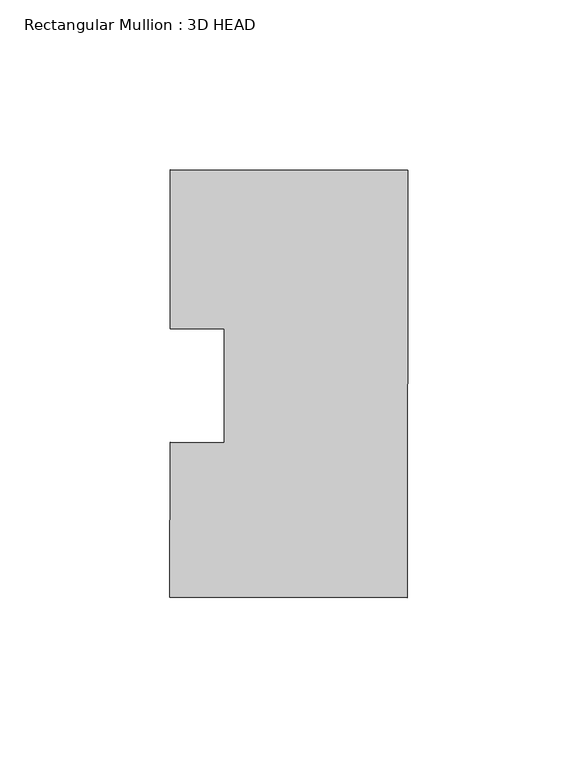
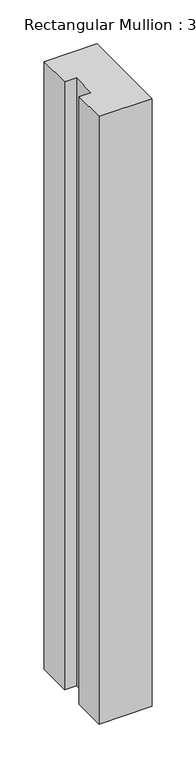
"""IFC4 building model written with IfcOpenShell, lengths in millimetres: member geometry, Rectangular Mullion : 3D HEAD."""

from ifc_helpers import new_model, si_unit, frame, origin, place, context, project, spatial, polyline, outline, extrude, source, transform, mapped, element, save


def rectangular_mullion_3d_head_cf05531e(model_context):
    return source(origin(), model_context, "Body", "SweptSolid", [
        extrude(outline(polyline([(-69.9433395, -16.6773033), (-54.0683503, -16.6957868), (-54.0294719, 16.6957868), (-69.9044612, 16.7142704), (-69.8499527, 63.5301323), (0.0, 63.4488048), (-0.1464486, -62.3319099), (-69.9964013, -62.2505824), (-69.9433395, -16.6773033)])), frame((0.0, 0.0, -844.55), z_axis=(0.0, 0.0, 1.0), x_axis=(1.0, 0.0, 0.0)), (0.0, 0.0, 1.0), 844.55),
    ])


if __name__ == "__main__":
    model = new_model("IFC4")
    model_context = context("Model", 3, world=origin())
    ifc_project = project(units=[si_unit("LENGTHUNIT", "METRE", prefix="MILLI")], contexts=[model_context])
    site = spatial("IfcSite", under=ifc_project)
    building = spatial("IfcBuilding", under=site)
    placement = place(None, origin())
    rectangular_mullion_3d_head_shape = rectangular_mullion_3d_head_cf05531e(model_context)
    element("IfcMember", 1, ObjectType="Rectangular Mullion : 3D HEAD", at=placement, inside=building, context=model_context, shape_type="MappedRepresentation", body=[
        mapped(rectangular_mullion_3d_head_shape, transform((0.0, 0.0, 0.0), x_axis=(1.0, 0.0, 0.0), y_axis=(0.0, 1.0, 0.0), z_axis=(0.0, 0.0, 1.0))),
    ])
    save(model, "model.ifc")
